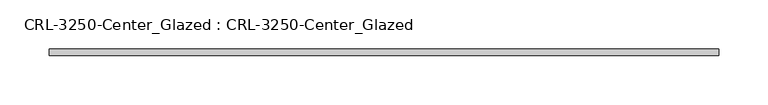
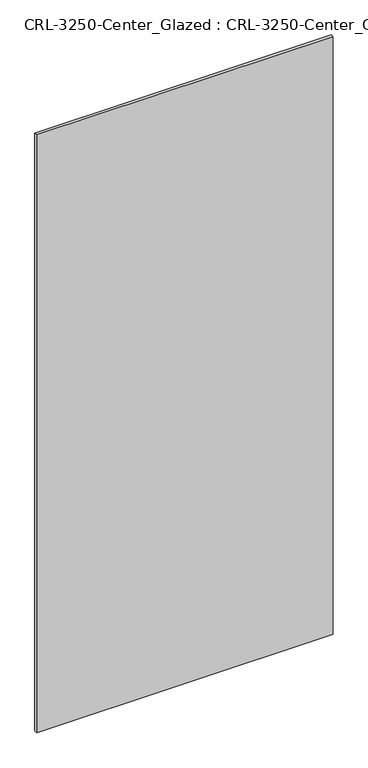
"""IFC4 building model written with IfcOpenShell, lengths in millimetres: plate geometry, CRL-3250-Center_Glazed : CRL-3250-Center_Glazed."""

from ifc_helpers import new_model, si_unit, origin, origin_with_axes, place, context, project, spatial, polyline, outline, extrude, source, transform, mapped, element, save


def crl_3250_center_glazed_crl_3250_center_glazed_a63cb278(model_context):
    return source(origin(), model_context, "Body", "SweptSolid", [
        extrude(outline(polyline([(339.6333373, -3.1749999), (-339.6333373, -3.1749999), (-339.6333373, 3.1749999), (339.6333373, 3.1749999), (339.6333373, -3.1749999)])), origin_with_axes(), (0.0, 0.0, 1.0), 1447.800003),
    ])


if __name__ == "__main__":
    model = new_model("IFC4")
    model_context = context("Model", 3, world=origin())
    ifc_project = project(units=[si_unit("LENGTHUNIT", "METRE", prefix="MILLI")], contexts=[model_context])
    site = spatial("IfcSite", under=ifc_project)
    building = spatial("IfcBuilding", under=site)
    placement = place(None, origin())
    crl_3250_center_glazed_crl_3250_center_glazed_shape = crl_3250_center_glazed_crl_3250_center_glazed_a63cb278(model_context)
    element("IfcPlate", 1, ObjectType="CRL-3250-Center_Glazed : CRL-3250-Center_Glazed", at=placement, inside=building, context=model_context, shape_type="MappedRepresentation", body=[
        mapped(crl_3250_center_glazed_crl_3250_center_glazed_shape, transform((0.0, 0.0, 0.0), x_axis=(1.0, 0.0, 0.0), y_axis=(0.0, 1.0, 0.0), z_axis=(0.0, 0.0, 1.0))),
    ])
    save(model, "model.ifc")
